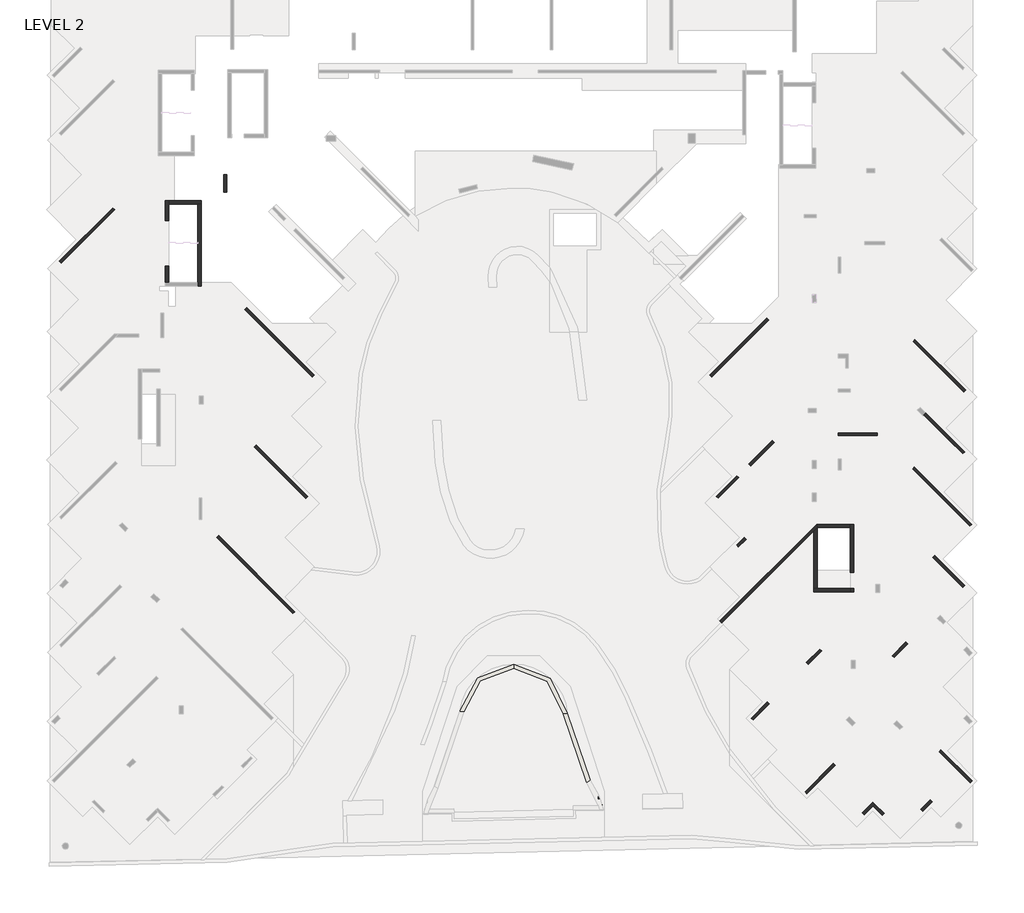
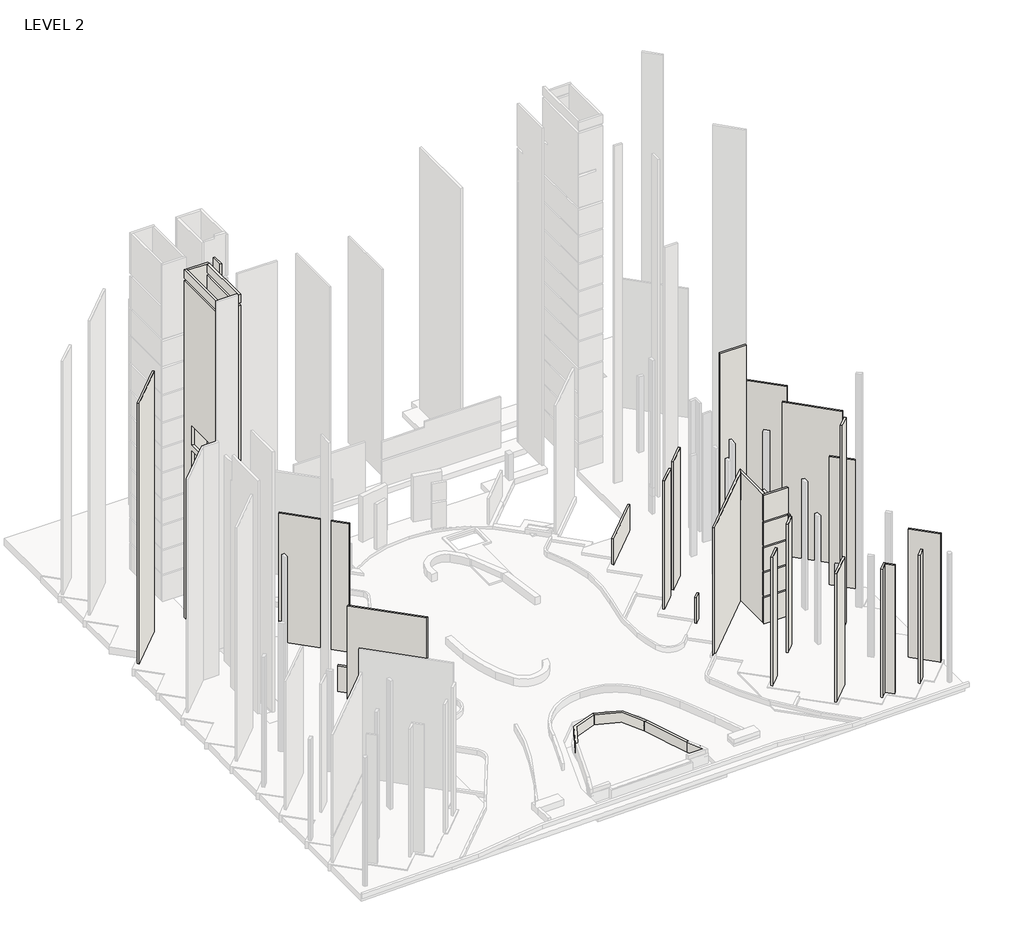
# One storey, part 2 of 9: 44 walls.
"""IFC4 building model written with IfcOpenShell, lengths in millimetres."""

import ifcopenshell
import ifcopenshell.guid

model = None  # the IFC model being written
_history = None  # IfcOwnerHistory: only IFC2X3 demands one
_inside = {}  # id of a spatial element -> (the spatial element, [elements in it])
_under = {}  # id of a project, library or spatial element -> (it, [spatial elements below it])
_declared = {}  # id of a project -> (the project, [libraries it declares])
_typed = {}  # id of a type object -> (the type object, [elements of that type])
_made_of = {}  # id of a material, layer set ... -> (it, [elements and type objects made of it])


def new_model(schema):
    """Start an empty IFC model of exactly this schema.

    Asked for "IFC4X3", IfcOpenShell would pick the latest addendum, in which some entities
    have other attributes; the version numbers below select the first issue.
    IFC2X3 requires an IfcOwnerHistory on every rooted entity: one is made here for all.
    """
    global model, _history
    if schema == "IFC4X3":
        model = ifcopenshell.file(schema_version=(4, 3, 0, 0))
    else:
        model = ifcopenshell.file(schema=schema)
    _inside.clear()
    _under.clear()
    _declared.clear()
    _typed.clear()
    _made_of.clear()
    _history = None
    if model.schema == "IFC2X3":
        org = make("IfcOrganization", Name="unknown")
        user = make(
            "IfcPersonAndOrganization",
            ThePerson=make("IfcPerson", FamilyName="unknown"),
            TheOrganization=org,
        )
        app = make(
            "IfcApplication",
            ApplicationDeveloper=org,
            Version="unknown",
            ApplicationFullName="unknown",
            ApplicationIdentifier="unknown",
        )
        _history = make(
            "IfcOwnerHistory",
            OwningUser=user,
            OwningApplication=app,
            ChangeAction="ADDED",
            CreationDate=0,
        )
    return model


def make(cls, **values):
    """One entity of the class cls with the attributes given. An attribute that is None is left unset."""
    return model.create_entity(
        cls, **{name: value for name, value in values.items() if value is not None}
    )


def rooted(cls, **values):
    """An entity with a GlobalId (a new one), such as an element, a storey or a relation."""
    return make(cls, GlobalId=ifcopenshell.guid.new(), OwnerHistory=_history, **values)


def si_unit(unit_type, name, prefix=None):
    """IfcSIUnit, for example si_unit("LENGTHUNIT", "METRE", prefix="MILLI")."""
    return make("IfcSIUnit", UnitType=unit_type, Prefix=prefix, Name=name)


def assignment(units):
    """IfcUnitAssignment: the units of a project."""
    return None if units is None else make("IfcUnitAssignment", Units=units)


def point(xyz):
    """IfcCartesianPoint."""
    return None if xyz is None else make("IfcCartesianPoint", Coordinates=xyz)


def direction(xyz):
    """IfcDirection."""
    return None if xyz is None else make("IfcDirection", DirectionRatios=xyz)


def frame(location, z_axis=None, x_axis=None):
    """IfcAxis2Placement3D, a coordinate frame: its origin and axes. An axis left out is left unset."""
    return make(
        "IfcAxis2Placement3D",
        Location=point(location),
        Axis=direction(z_axis),
        RefDirection=direction(x_axis),
    )


def frame_2d(location, x_axis=None):
    """IfcAxis2Placement2D, a coordinate frame in the plane: its origin and x axis."""
    return make(
        "IfcAxis2Placement2D", Location=point(location), RefDirection=direction(x_axis)
    )


def origin():
    """The frame at (0, 0, 0) with its axes left unset."""
    return frame((0.0, 0.0, 0.0))


def place(relative_to, where):
    """IfcLocalPlacement: puts the frame where relative to a parent placement (None: the world)."""
    return make(
        "IfcLocalPlacement", PlacementRelTo=relative_to, RelativePlacement=where
    )


def context(
    kind, dimensions, precision=None, world=None, true_north=None, identifier=None
):
    """IfcGeometricRepresentationContext, for example the 3D "Model" context."""
    return make(
        "IfcGeometricRepresentationContext",
        ContextIdentifier=identifier,
        ContextType=kind,
        CoordinateSpaceDimension=dimensions,
        Precision=precision,
        WorldCoordinateSystem=world,
        TrueNorth=true_north,
    )


def project(units=None, contexts=None):
    """IfcProject with its units and contexts."""
    return rooted(
        "IfcProject",
        Name="project",
        RepresentationContexts=contexts,
        UnitsInContext=assignment(units),
    )


def spatial(cls, under=None, at=None, **own):
    """A site, building, storey or space (cls), placed at a placement, below another one or the project."""
    s = rooted(cls, ObjectPlacement=at, **own)
    if under is not None:
        _under.setdefault(under.id(), (under, []))[1].append(s)
    return s


def polyline(points):
    """IfcPolyline through the points."""
    return make("IfcPolyline", Points=[point(p) for p in points])


def circle_curve(where, radius):
    """IfcCircle in the frame where."""
    return make("IfcCircle", Position=where, Radius=radius)


def trimmed(basis, trim1, trim2, sense, master):
    """IfcTrimmedCurve: the piece of a basis curve between two trims."""
    return make(
        "IfcTrimmedCurve",
        BasisCurve=basis,
        Trim1=trim1,
        Trim2=trim2,
        SenseAgreement=sense,
        MasterRepresentation=master,
    )


def segment(curve, same_sense, transition):
    """IfcCompositeCurveSegment."""
    return make(
        "IfcCompositeCurveSegment",
        Transition=transition,
        SameSense=same_sense,
        ParentCurve=curve,
    )


def composite_curve(segments, self_intersect=None):
    """IfcCompositeCurve: segments joined end to end."""
    return make("IfcCompositeCurve", Segments=segments, SelfIntersect=self_intersect)


def outline(outer, holes=None, kind="AREA"):
    """IfcArbitraryClosedProfileDef: a profile drawn as a closed curve; with holes, ...WithVoids."""
    if holes is None:
        return make("IfcArbitraryClosedProfileDef", ProfileType=kind, OuterCurve=outer)
    return make(
        "IfcArbitraryProfileDefWithVoids",
        ProfileType=kind,
        OuterCurve=outer,
        InnerCurves=holes,
    )


def extrude(swept, where, along, depth):
    """IfcExtrudedAreaSolid: the profile swept, set in the frame where, extruded along a direction by depth."""
    return make(
        "IfcExtrudedAreaSolid",
        SweptArea=swept,
        Position=where,
        ExtrudedDirection=direction(along),
        Depth=depth,
    )


def faces_of(points, faces, orient=None, outer=None):
    """IfcFace entities. A face is a list of loops; a loop is a list of indices into points, from 0.

    orient and outer hold one flag for each loop. By default every Orientation is true, the
    first loop of a face is its IfcFaceOuterBound and the others are IfcFaceBound.
    """
    made = []
    for i, loops in enumerate(faces):
        bounds = []
        for j, loop in enumerate(loops):
            is_outer = j == 0 if outer is None else outer[i][j]
            bounds.append(
                make(
                    "IfcFaceOuterBound" if is_outer else "IfcFaceBound",
                    Bound=make("IfcPolyLoop", Polygon=[points[k] for k in loop]),
                    Orientation=True if orient is None else orient[i][j],
                )
            )
        made.append(make("IfcFace", Bounds=bounds))
    return made


def faceted_brep(points, faces, orient=None, outer=None, voids=None):
    """IfcFacetedBrep: a solid bounded by flat faces; with voids (closed shells), ...WithVoids."""
    shared = [point(p) for p in points]
    hull = make("IfcClosedShell", CfsFaces=faces_of(shared, faces, orient, outer))
    if voids is None:
        return make("IfcFacetedBrep", Outer=hull)
    return make(
        "IfcFacetedBrepWithVoids",
        Outer=hull,
        Voids=[
            make(cls, CfsFaces=faces_of(shared, fs, o, b)) for cls, fs, o, b in voids
        ],
    )


def shape(context_of_items, identifier, shape_type, items):
    """IfcShapeRepresentation: the items that make up one representation, for example the "Body"."""
    return make(
        "IfcShapeRepresentation",
        ContextOfItems=context_of_items,
        RepresentationIdentifier=identifier,
        RepresentationType=shape_type,
        Items=items,
    )


def made_of(thing, what):
    """Note that an element or type object is made of a material, layer set ...; save() writes the relation."""
    if what is not None:
        _made_of.setdefault(what.id(), (what, []))[1].append(thing)
    return thing


def element(
    cls,
    number,
    at=None,
    inside=None,
    cuts=None,
    type_object=None,
    material=None,
    context=None,
    identifier="Body",
    shape_type=None,
    held_by="IfcProductDefinitionShape",
    body=None,
    shapes=None,
    **own,
):
    """One element of the class cls, such as IfcWall. Its Tag is "e" and its number.

    at: its placement. inside: the storey or other place that contains it. cuts: it is an
    opening in that element (IfcRelVoidsElement). A single representation is given by context,
    identifier, shape_type and body (its items); several are given by shapes. held_by: the class
    of the entity that holds the representations. save() writes the other relations.
    """
    e = rooted(cls, Tag="e%d" % number, ObjectPlacement=at, **own)
    if body is not None:
        shapes = [shape(context, identifier, shape_type, body)]
    if shapes is not None:
        e.Representation = make(held_by, Representations=shapes)
    if inside is not None:
        _inside.setdefault(inside.id(), (inside, []))[1].append(e)
    if cuts is not None:
        rooted(
            "IfcRelVoidsElement", RelatingBuildingElement=cuts, RelatedOpeningElement=e
        )
    if type_object is not None:
        _typed.setdefault(type_object.id(), (type_object, []))[1].append(e)
    return made_of(e, material)


def aggregate(whole, parts):
    """IfcRelAggregates: a whole, such as a stair, and the parts it consists of."""
    return rooted("IfcRelAggregates", RelatingObject=whole, RelatedObjects=parts)


def save(model, path):
    """Write the relations noted so far, then the file.

    IfcRelAggregates (storeys below a building ...), IfcRelContainedInSpatialStructure (elements
    in a storey), IfcRelDefinesByType, IfcRelAssociatesMaterial and IfcRelDeclares: one each for
    every whole, place, type object, material and project.
    """
    for whole, parts in _under.values():
        aggregate(whole, parts)
    for where, things in _inside.values():
        rooted(
            "IfcRelContainedInSpatialStructure",
            RelatedElements=things,
            RelatingStructure=where,
        )
    for kind, things in _typed.values():
        rooted("IfcRelDefinesByType", RelatedObjects=things, RelatingType=kind)
    for what, things in _made_of.values():
        rooted("IfcRelAssociatesMaterial", RelatedObjects=things, RelatingMaterial=what)
    for by, libraries in _declared.values():
        rooted("IfcRelDeclares", RelatingContext=by, RelatedDefinitions=libraries)
    model.write(path)


model = new_model("IFC4")

# Units and contexts
model_context = context("Model", 3, world=origin())
ifc_project = project(units=[si_unit("LENGTHUNIT", "METRE", prefix="MILLI")], contexts=[model_context])

# Site, building, storey
site = spatial("IfcSite", under=ifc_project)
building = spatial("IfcBuilding", under=site)
storey = spatial("IfcBuildingStorey", under=building, Name="LEVEL 2", Elevation=6400.0)

# Walls
placement = place(None, origin())
element("IfcWall", 1, ObjectType="200 WALL", at=placement, inside=storey, context=model_context, shape_type="SweptSolid", body=[
    extrude(outline(polyline([(178123.5364758, 193416.508526), (182069.1923148, 197362.164365), (182210.613671, 197220.7430087), (178264.957832, 193275.0871697), (178123.5364758, 193416.508526)])), frame((0.0, 0.0, 6400.0), z_axis=(0.0, 0.0, 1.0), x_axis=(1.0, 0.0, 0.0)), (0.0, 0.0, 1.0), 30800.0),
])
element("IfcWall", 2, ObjectType="200 WALL", at=placement, inside=storey, context=model_context, shape_type="Brep", body=[
    faceted_brep([(227133.1068921, 166641.8036376, 21550.0), (227133.1068921, 166641.8036376, 6400.0), (233938.4739802, 173447.1707257, 6400.0), (234182.3831507, 173691.0798962, 6400.0), (234182.3831507, 173691.0798962, 18300.0), (233938.4739802, 173447.1707257, 18300.0), (233938.4739802, 173447.1707257, 21550.0), (234149.5404382, 173941.0798962, 6400.0), (226991.6855358, 166783.2249938, 6400.0), (226991.6855358, 166783.2249938, 21550.0), (234149.5404382, 173941.0798962, 21550.0), (234154.0612657, 173906.6671817, 21550.0), (234154.0612657, 173906.6671817, 18300.0)], [[[0, 1, 2, 3, 4, 5, 6]], [[7, 8, 9, 10]], [[8, 7, 3, 2, 1]], [[10, 9, 0, 6, 11]], [[1, 0, 9, 8]], [[3, 7, 10, 11, 12, 4]], [[12, 5, 4]], [[5, 12, 11, 6]]]),
])
element("IfcWall", 3, ObjectType="200 WALL", at=placement, inside=storey, context=model_context, shape_type="SweptSolid", body=[
    extrude(outline(polyline([(241381.3653045, 178186.0108682), (245624.0304111, 173943.3457616), (245482.6090549, 173801.9244054), (241239.9439483, 178044.589512), (241381.3653045, 178186.0108682)])), frame((0.0, 0.0, 6400.0), z_axis=(0.0, 0.0, 1.0), x_axis=(1.0, 0.0, 0.0)), (0.0, 0.0, 1.0), 18100.0),
])
element("IfcWall", 4, ObjectType="200 WALL", at=placement, inside=storey, context=model_context, shape_type="SweptSolid", body=[
    extrude(outline(polyline([(190291.1560768, 198543.2169811), (190291.1560768, 199823.2169811), (190491.1560768, 199823.2169811), (190491.1560768, 198543.2169811), (190291.1560768, 198543.2169811)])), frame((0.0, 0.0, 6400.0), z_axis=(0.0, 0.0, 1.0), x_axis=(1.0, 0.0, 0.0)), (0.0, 0.0, 1.0), 39800.0),
])
element("IfcWall", 5, ObjectType="200 WALL", at=placement, inside=storey, context=model_context, shape_type="SweptSolid", body=[
    extrude(outline(polyline([(230595.0125003, 189053.8197048), (226378.0074174, 184836.8146219), (226236.5860611, 184978.2359781), (230453.591144, 189195.241061), (230595.0125003, 189053.8197048)])), frame((0.0, 0.0, 6400.0), z_axis=(0.0, 0.0, 1.0), x_axis=(1.0, 0.0, 0.0)), (0.0, 0.0, 1.0), 3050.0),
])
element("IfcWall", 6, ObjectType="200 WALL", at=placement, inside=storey, context=model_context, shape_type="SweptSolid", body=[
    extrude(outline(polyline([(189918.2404071, 173098.17676), (195542.1709331, 167474.246234), (195400.7495768, 167332.8248778), (189776.8190509, 172956.7554037), (189918.2404071, 173098.17676)])), frame((0.0, 0.0, 6400.0), z_axis=(0.0, 0.0, 1.0), x_axis=(1.0, 0.0, 0.0)), (0.0, 0.0, 1.0), 15150.0),
])
element("IfcWall", 7, ObjectType="200 WALL", at=placement, inside=storey, context=model_context, shape_type="SweptSolid", body=[
    extrude(outline(polyline([(245026.7387302, 183733.4005766), (241279.0727899, 187481.0665169), (241420.4941461, 187622.4878731), (245168.1600864, 183874.8219328), (245026.7387302, 183733.4005766)])), frame((0.0, 0.0, 6400.0), z_axis=(0.0, 0.0, 1.0), x_axis=(1.0, 0.0, 0.0)), (0.0, 0.0, 1.0), 15150.0),
])
element("IfcWall", 8, ObjectType="200 WALL", at=placement, inside=storey, context=model_context, shape_type="SweptSolid", body=[
    extrude(outline(polyline([(191992.9699245, 189973.9089783), (196988.4554355, 184978.4234674), (196847.0340793, 184837.0021112), (191851.5485683, 189832.4876221), (191992.9699245, 189973.9089783)])), frame((0.0, 0.0, 6400.0), z_axis=(0.0, 0.0, 1.0), x_axis=(1.0, 0.0, 0.0)), (0.0, 0.0, 1.0), 15150.0),
])
element("IfcWall", 9, ObjectType="200 WALL", at=placement, inside=storey, context=model_context, shape_type="SweptSolid", body=[
    extrude(outline(polyline([(235532.2142292, 156090.4729407), (233428.6981924, 153986.9569039), (233287.2768361, 154128.3782601), (235390.792873, 156231.894297), (235532.2142292, 156090.4729407)])), frame((0.0, 0.0, 6400.0), z_axis=(0.0, 0.0, 1.0), x_axis=(1.0, 0.0, 0.0)), (0.0, 0.0, 1.0), 15150.0),
])
element("IfcWall", 10, ObjectType="200 WALL", at=placement, inside=storey, context=model_context, shape_type="SweptSolid", body=[
    extrude(outline(polyline([(230992.5157762, 179997.6710209), (229258.3799716, 178263.5352163), (229116.9586154, 178404.9565725), (230851.09442, 180139.0923771), (230992.5157762, 179997.6710209)])), frame((0.0, 0.0, 6400.0), z_axis=(0.0, 0.0, 1.0), x_axis=(1.0, 0.0, 0.0)), (0.0, 0.0, 1.0), 15150.0),
])
element("IfcWall", 11, ObjectType="200 WALL", at=placement, inside=storey, context=model_context, shape_type="SweptSolid", body=[
    extrude(outline(polyline([(238618.4739802, 180501.0798962), (235743.3270284, 180501.0798962), (235743.3270284, 180701.0798962), (238618.4739802, 180701.0798962), (238618.4739802, 180501.0798962)])), frame((0.0, 0.0, 6400.0), z_axis=(0.0, 0.0, 1.0), x_axis=(1.0, 0.0, 0.0)), (0.0, 0.0, 1.0), 24300.0),
])
element("IfcWall", 12, ObjectType="200 WALL", at=placement, inside=storey, context=model_context, shape_type="SweptSolid", body=[
    extrude(outline(polyline([(228927.7214646, 172827.4828872), (228362.0360397, 172261.7974623), (228220.6146834, 172403.2188185), (228786.3001084, 172968.9042434), (228927.7214646, 172827.4828872)])), frame((0.0, 0.0, 6400.0), z_axis=(0.0, 0.0, 1.0), x_axis=(1.0, 0.0, 0.0)), (0.0, 0.0, 1.0), 3050.0),
])
element("IfcWall", 13, ObjectType="200 WALL", at=placement, inside=storey, context=model_context, shape_type="SweptSolid", body=[
    extrude(outline(polyline([(242866.4955293, 171638.3592191), (245088.2192119, 169416.6355366), (244946.7978557, 169275.2141803), (242725.0741731, 171496.9378629), (242866.4955293, 171638.3592191)])), frame((0.0, 0.0, 6400.0), z_axis=(0.0, 0.0, 1.0), x_axis=(1.0, 0.0, 0.0)), (0.0, 0.0, 1.0), 15150.0),
])
element("IfcWall", 14, ObjectType="200 WALL", at=placement, inside=storey, context=model_context, shape_type="SweptSolid", body=[
    extrude(outline(polyline([(239734.9494266, 164214.6749539), (240748.7107179, 165228.4362452), (240890.1320742, 165087.014889), (239876.3707828, 164073.2535976), (239734.9494266, 164214.6749539)])), frame((0.0, 0.0, 6400.0), z_axis=(0.0, 0.0, 1.0), x_axis=(1.0, 0.0, 0.0)), (0.0, 0.0, 1.0), 24300.0),
])
element("IfcWall", 15, ObjectType="200 WALL", at=placement, inside=storey, context=model_context, shape_type="SweptSolid", body=[
    extrude(outline(polyline([(234520.7884813, 164554.2662039), (233532.000346, 163565.4780686), (233390.5789898, 163706.8994248), (234379.3671251, 164695.6875602), (234520.7884813, 164554.2662039)])), frame((0.0, 0.0, 6400.0), z_axis=(0.0, 0.0, 1.0), x_axis=(1.0, 0.0, 0.0)), (0.0, 0.0, 1.0), 15150.0),
])
element("IfcWall", 16, ObjectType="200 WALL", at=placement, inside=storey, context=model_context, shape_type="SweptSolid", body=[
    extrude(outline(polyline([(243340.7326405, 157255.3317195), (245660.0428828, 154936.0214772), (245518.6215266, 154794.6001209), (243199.3112843, 157113.9103632), (243340.7326405, 157255.3317195)])), frame((0.0, 0.0, 6400.0), z_axis=(0.0, 0.0, 1.0), x_axis=(1.0, 0.0, 0.0)), (0.0, 0.0, 1.0), 15150.0),
])
element("IfcWall", 17, ObjectType="200 WALL", at=placement, inside=storey, context=model_context, shape_type="SweptSolid", body=[
    extrude(outline(polyline([(242695.4315308, 153396.6021858), (241988.3247496, 152689.4954046), (241846.9033934, 152830.9167608), (242554.0101745, 153538.023542), (242695.4315308, 153396.6021858)])), frame((0.0, 0.0, 6400.0), z_axis=(0.0, 0.0, 1.0), x_axis=(1.0, 0.0, 0.0)), (0.0, 0.0, 1.0), 15150.0),
])
element("IfcWall", 18, ObjectType="200 WALL", at=placement, inside=storey, context=model_context, shape_type="Brep", body=[
    faceted_brep([(237655.4613496, 152443.7091999, 6400.0), (238300.6736781, 153088.9215284, 6400.0), (238442.0950344, 153230.3428846, 6400.0), (238442.0950344, 153230.3428846, 21550.0), (238300.6736781, 153088.9215284, 21550.0), (237655.4613496, 152443.7091999, 21550.0), (237514.0399934, 152585.1305561, 6400.0), (237514.0399934, 152585.1305561, 21550.0), (238300.6736781, 153371.7642408, 21550.0), (238300.6736781, 153371.7642408, 6400.0)], [[[0, 1, 2, 3, 4, 5]], [[6, 7, 8, 9]], [[2, 1, 0, 6, 9]], [[3, 2, 9, 8]], [[5, 4, 3, 8, 7]], [[0, 5, 7, 6]]]),
])
element("IfcWall", 19, ObjectType="200 WALL", at=placement, inside=storey, context=model_context, shape_type="SweptSolid", body=[
    extrude(outline(polyline([(238989.5587329, 152400.0364736), (238300.6736781, 153088.9215284), (238442.0950344, 153230.3428846), (239130.9800891, 152541.4578298), (238989.5587329, 152400.0364736)])), frame((0.0, 0.0, 6400.0), z_axis=(0.0, 0.0, 1.0), x_axis=(1.0, 0.0, 0.0)), (0.0, 0.0, 1.0), 15150.0),
])
element("IfcWall", 20, ObjectType="200 WALL", at=placement, inside=storey, context=model_context, shape_type="SweptSolid", body=[
    extrude(outline(polyline([(230642.8009927, 160654.7023901), (229440.7194647, 159452.6208621), (229299.2981085, 159594.0422183), (230501.3796365, 160796.1237463), (230642.8009927, 160654.7023901)])), frame((0.0, 0.0, 6400.0), z_axis=(0.0, 0.0, 1.0), x_axis=(1.0, 0.0, 0.0)), (0.0, 0.0, 1.0), 15150.0),
])
element("IfcWall", 21, ObjectType="200 WALL", at=placement, inside=storey, context=model_context, shape_type="SweptSolid", body=[
    extrude(outline(polyline([(228392.1741647, 177393.7938754), (226873.347345, 175874.9670558), (226731.9259888, 176016.388412), (228250.7528084, 177535.2152317), (228392.1741647, 177393.7938754)])), frame((0.0, 0.0, 6400.0), z_axis=(0.0, 0.0, 1.0), x_axis=(1.0, 0.0, 0.0)), (0.0, 0.0, 1.0), 15150.0),
])
element("IfcWall", 22, ObjectType="200 WALL", at=placement, inside=storey, context=model_context, shape_type="SweptSolid", body=[
    extrude(outline(polyline([(192693.959791, 179797.6048788), (196498.1942737, 175993.370396), (196356.7729175, 175851.9490398), (192552.5384347, 179656.1835225), (192693.959791, 179797.6048788)])), frame((0.0, 0.0, 6400.0), z_axis=(0.0, 0.0, 1.0), x_axis=(1.0, 0.0, 0.0)), (0.0, 0.0, 1.0), 3050.0),
])
element("IfcWall", 23, ObjectType="200 WALL", at=placement, inside=storey, context=model_context, shape_type="SweptSolid", body=[
    extrude(outline(polyline([(244036.7833113, 180367.566373), (245097.4434831, 179306.9062012), (244956.0221269, 179165.484845), (243895.3619551, 180226.1450168), (244036.7833113, 180367.566373)])), frame((0.0, 0.0, 6425.0), z_axis=(0.0, 0.0, 1.0), x_axis=(1.0, 0.0, 0.0)), (0.0, 0.0, 1.0), 3025.0),
])
element("IfcWall", 24, ObjectType="200 WALL", at=placement, inside=storey, context=model_context, shape_type="Brep", body=[
    faceted_brep([(244036.7833113, 180367.566373, 6400.0), (242229.1073069, 182175.2423775, 6400.0), (242229.1073069, 182175.2423775, 9450.0), (244036.7833113, 180367.566373, 9450.0), (244036.7833113, 180367.566373, 6425.0), (243895.3619551, 180226.1450168, 6400.0), (243895.3619551, 180226.1450168, 6425.0), (243895.3619551, 180226.1450168, 9450.0), (242087.6859506, 182033.8210212, 9450.0), (242087.6859506, 182033.8210212, 6400.0)], [[[0, 1, 2, 3, 4]], [[5, 6, 7, 8, 9]], [[1, 0, 5, 9]], [[2, 1, 9, 8]], [[3, 2, 8, 7]], [[0, 4, 3, 7, 6, 5]]]),
])
element("IfcWall", 25, ObjectType="250 WALL", at=placement, inside=storey, context=model_context, shape_type="Brep", body=[
    faceted_brep([(236628.4739802, 168936.123658, 18300.0), (236628.4739802, 173691.0798962, 18300.0), (236628.4739802, 173941.0798962, 18300.0), (236628.4739802, 173941.0798962, 6400.0), (236628.4739802, 173691.0798962, 6400.0), (236628.4739802, 170386.123658, 6400.0), (236628.4739802, 170386.123658, 8600.0), (236628.4739802, 169186.123658, 8600.0), (236628.4739802, 169186.123658, 6400.0), (236628.4739802, 168936.123658, 6400.0), (236628.4739802, 169181.123658, 17750.0), (236628.4739802, 169181.123658, 15550.0), (236628.4739802, 170381.123658, 15550.0), (236628.4739802, 170381.123658, 17750.0), (236628.4739802, 169186.123658, 14800.0), (236628.4739802, 169186.123658, 12600.0), (236628.4739802, 170386.123658, 12600.0), (236628.4739802, 170386.123658, 14800.0), (236628.4739802, 169186.123658, 11850.0), (236628.4739802, 169186.123658, 9650.0), (236628.4739802, 170386.123658, 9650.0), (236628.4739802, 170386.123658, 11850.0), (236878.4739802, 173941.0798962, 18300.0), (236878.4739802, 168936.123658, 18300.0), (236878.4739802, 168936.123658, 6400.0), (236878.4739802, 169186.123658, 6400.0), (236878.4739802, 169186.123658, 8600.0), (236878.4739802, 170386.123658, 8600.0), (236878.4739802, 170386.123658, 6400.0), (236878.4739802, 173941.0798962, 6400.0), (236878.4739802, 169186.123658, 12600.0), (236878.4739802, 169186.123658, 14800.0), (236878.4739802, 170386.123658, 14800.0), (236878.4739802, 170386.123658, 12600.0), (236878.4739802, 169186.123658, 9650.0), (236878.4739802, 169186.123658, 11850.0), (236878.4739802, 170386.123658, 11850.0), (236878.4739802, 170386.123658, 9650.0), (236878.4739802, 169181.123658, 15550.0), (236878.4739802, 169181.123658, 17750.0), (236878.4739802, 170381.123658, 17750.0), (236878.4739802, 170381.123658, 15550.0)], [[[0, 1, 2, 3, 4, 5, 6, 7, 8, 9], [10, 11, 12, 13], [14, 15, 16, 17], [18, 19, 20, 21]], [[22, 23, 24, 25, 26, 27, 28, 29], [30, 31, 32, 33], [34, 35, 36, 37], [38, 39, 40, 41]], [[28, 5, 4, 3, 29]], [[9, 8, 25, 24]], [[2, 1, 0, 23, 22]], [[7, 26, 25, 8]], [[27, 6, 5, 28]], [[26, 7, 6, 27]], [[3, 2, 22, 29]], [[14, 31, 30, 15]], [[15, 30, 33, 16]], [[31, 14, 17, 32]], [[18, 35, 34, 19]], [[19, 34, 37, 20]], [[35, 18, 21, 36]], [[10, 39, 38, 11]], [[11, 38, 41, 12]], [[39, 10, 13, 40]], [[32, 17, 16, 33]], [[36, 21, 20, 37]], [[40, 13, 12, 41]], [[0, 9, 24, 23]]]),
])
element("IfcWall", 26, ObjectType="250 WALL", at=placement, inside=storey, context=model_context, shape_type="Brep", body=[
    faceted_brep([(234188.4739802, 169186.123658, 6400.0), (234188.4739802, 173691.0798962, 6400.0), (234188.4739802, 173691.0798962, 18300.0), (234188.4739802, 173980.0134382, 18300.0), (234188.4739802, 173980.0134382, 21550.0), (234188.4739802, 169186.123658, 21550.0), (233938.4739802, 169186.123658, 6400.0), (233938.4739802, 169186.123658, 9450.0), (233938.4739802, 169186.123658, 9650.0), (233938.4739802, 169186.123658, 12400.0), (233938.4739802, 169186.123658, 12600.0), (233938.4739802, 169186.123658, 15350.0), (233938.4739802, 169186.123658, 15550.0), (233938.4739802, 169186.123658, 18300.0), (233938.4739802, 169186.123658, 18500.0), (233938.4739802, 169186.123658, 21550.0), (233938.4739802, 173447.1707257, 21550.0), (233938.4739802, 173447.1707257, 18300.0), (233938.4739802, 173447.1707257, 6400.0), (234182.3831507, 173691.0798962, 6400.0), (234154.0612657, 173906.6671817, 21550.0), (234154.0612657, 173906.6671817, 18300.0), (234182.3831507, 173691.0798962, 18300.0)], [[[0, 1, 2, 3, 4, 5]], [[6, 7, 8, 9, 10, 11, 12, 13, 14, 15, 16, 17, 18]], [[1, 0, 6, 18, 19]], [[5, 4, 20, 16, 15]], [[0, 5, 15, 14, 13, 12, 11, 10, 9, 8, 7, 6]], [[17, 21, 3, 2, 22]], [[2, 1, 19, 22]], [[19, 18, 17, 22]], [[4, 3, 21, 17, 16, 20]]]),
])
element("IfcWall", 27, ObjectType="250 WALL", at=placement, inside=storey, context=model_context, shape_type="Brep", body=[
    faceted_brep([(234182.3831507, 173691.0798962, 6400.0), (234188.4739802, 173691.0798962, 6400.0), (236628.4739802, 173691.0798962, 6400.0), (236628.4739802, 173691.0798962, 18300.0), (234188.4739802, 173691.0798962, 18300.0), (234182.3831507, 173691.0798962, 18300.0), (234149.5404382, 173941.0798962, 6400.0), (234149.5404382, 173941.0798962, 18300.0), (236628.4739802, 173941.0798962, 18300.0), (236628.4739802, 173941.0798962, 6400.0)], [[[0, 1, 2, 3, 4, 5]], [[6, 7, 8, 9]], [[2, 1, 0, 6, 9]], [[5, 4, 3, 8, 7]], [[3, 2, 9, 8]], [[0, 5, 7, 6]]]),
])
element("IfcWall", 28, ObjectType="250 WALL", at=placement, inside=storey, context=model_context, shape_type="Brep", body=[
    faceted_brep([(236628.4739802, 169186.123658, 6400.0), (234188.4739802, 169186.123658, 6400.0), (233938.4739802, 169186.123658, 6400.0), (233938.4739802, 169186.123658, 9450.0), (236628.4739802, 169186.123658, 9450.0), (236628.4739802, 169186.123658, 8600.0), (233938.4739802, 168936.123658, 6400.0), (236628.4739802, 168936.123658, 6400.0), (236628.4739802, 168936.123658, 9450.0), (233938.4739802, 168936.123658, 9450.0)], [[[0, 1, 2, 3, 4, 5]], [[6, 7, 8, 9]], [[2, 1, 0, 7, 6]], [[2, 6, 9, 3]], [[7, 0, 5, 4, 8]], [[4, 3, 9, 8]]]),
    faceted_brep([(233938.4739802, 169186.123658, 21550.0), (234188.4739802, 169186.123658, 21550.0), (236628.4739802, 169186.123658, 21550.0), (236628.4739802, 169186.123658, 18500.0), (233938.4739802, 169186.123658, 18500.0), (236628.4739802, 168936.123658, 21550.0), (233938.4739802, 168936.123658, 21550.0), (233938.4739802, 168936.123658, 18500.0), (236628.4739802, 168936.123658, 18500.0), (236628.4739802, 169181.123658, 18500.0)], [[[0, 1, 2, 3, 4]], [[5, 6, 7, 8]], [[2, 1, 0, 6, 5]], [[6, 0, 4, 7]], [[2, 5, 8, 9, 3]], [[4, 3, 9, 8, 7]]]),
    faceted_brep([(233938.4739802, 169186.123658, 18300.0), (236628.4739802, 169186.123658, 18300.0), (236628.4739802, 169186.123658, 15550.0), (233938.4739802, 169186.123658, 15550.0), (236628.4739802, 168936.123658, 18300.0), (233938.4739802, 168936.123658, 18300.0), (233938.4739802, 168936.123658, 15550.0), (236628.4739802, 168936.123658, 15550.0)], [[[0, 1, 2, 3]], [[4, 5, 6, 7]], [[5, 0, 3, 6]], [[1, 4, 7, 2]], [[1, 0, 5, 4]], [[3, 2, 7, 6]]]),
    faceted_brep([(233938.4739802, 169186.123658, 15350.0), (236628.4739802, 169186.123658, 15350.0), (236628.4739802, 169186.123658, 14800.0), (236628.4739802, 169186.123658, 12600.0), (233938.4739802, 169186.123658, 12600.0), (236628.4739802, 168936.123658, 15350.0), (233938.4739802, 168936.123658, 15350.0), (233938.4739802, 168936.123658, 12600.0), (236628.4739802, 168936.123658, 12600.0)], [[[0, 1, 2, 3, 4]], [[5, 6, 7, 8]], [[6, 0, 4, 7]], [[1, 5, 8, 3, 2]], [[1, 0, 6, 5]], [[4, 3, 8, 7]]]),
    faceted_brep([(233938.4739802, 169186.123658, 12400.0), (236628.4739802, 169186.123658, 12400.0), (236628.4739802, 169186.123658, 11850.0), (236628.4739802, 169186.123658, 9650.0), (233938.4739802, 169186.123658, 9650.0), (236628.4739802, 168936.123658, 12400.0), (233938.4739802, 168936.123658, 12400.0), (233938.4739802, 168936.123658, 9650.0), (236628.4739802, 168936.123658, 9650.0)], [[[0, 1, 2, 3, 4]], [[5, 6, 7, 8]], [[6, 0, 4, 7]], [[1, 5, 8, 3, 2]], [[1, 0, 6, 5]], [[4, 3, 8, 7]]]),
])
element("IfcWall", 29, ObjectType="250 WALL", at=placement, inside=storey, context=model_context, shape_type="Brep", body=[
    faceted_brep([(188361.1489175, 197657.6490083, 6400.0), (188361.1489175, 191842.6490083, 6400.0), (188361.1489175, 191592.6490083, 6400.0), (188361.1489175, 191592.6490083, 46150.0), (188361.1489175, 197657.6490083, 46150.0), (188361.1489175, 193068.2322067, 33124.9672079), (188361.1489175, 193068.2322067, 30889.9672079), (188361.1489175, 196433.2322067, 30889.9672079), (188361.1489175, 196433.2322067, 33124.9672079), (188361.1489175, 193068.2322067, 39624.9672079), (188361.1489175, 193068.2322067, 37389.9672079), (188361.1489175, 196433.2322067, 37389.9672079), (188361.1489175, 196433.2322067, 39624.9672079), (188361.1489175, 193068.2322067, 43574.9672079), (188361.1489175, 193068.2322067, 41339.9672079), (188361.1489175, 196433.2322067, 41339.9672079), (188361.1489175, 196433.2322067, 43574.9672079), (188361.1489175, 193068.2322067, 36374.9672079), (188361.1489175, 193068.2322067, 34139.9672079), (188361.1489175, 196433.2322067, 34139.9672079), (188361.1489175, 196433.2322067, 36374.9672079), (188611.1489175, 191592.6490083, 6400.0), (188611.1489175, 197657.6490083, 6400.0), (188611.1489175, 197657.6490083, 46150.0), (188611.1489175, 191592.6490083, 46150.0), (188611.1489175, 193068.2322067, 30889.9672079), (188611.1489175, 193068.2322067, 33124.9672079), (188611.1489175, 196433.2322067, 33124.9672079), (188611.1489175, 196433.2322067, 30889.9672079), (188611.1489175, 193068.2322067, 37389.9672079), (188611.1489175, 193068.2322067, 39624.9672079), (188611.1489175, 196433.2322067, 39624.9672079), (188611.1489175, 196433.2322067, 37389.9672079), (188611.1489175, 193068.2322067, 41339.9672079), (188611.1489175, 193068.2322067, 43574.9672079), (188611.1489175, 196433.2322067, 43574.9672079), (188611.1489175, 196433.2322067, 41339.9672079), (188611.1489175, 193068.2322067, 34139.9672079), (188611.1489175, 193068.2322067, 36374.9672079), (188611.1489175, 196433.2322067, 36374.9672079), (188611.1489175, 196433.2322067, 34139.9672079)], [[[0, 1, 2, 3, 4], [5, 6, 7, 8], [9, 10, 11, 12], [13, 14, 15, 16], [17, 18, 19, 20]], [[21, 22, 23, 24], [25, 26, 27, 28], [29, 30, 31, 32], [33, 34, 35, 36], [37, 38, 39, 40]], [[2, 1, 0, 22, 21]], [[26, 25, 6, 5]], [[27, 26, 5, 8]], [[28, 27, 8, 7]], [[25, 28, 7, 6]], [[30, 29, 10, 9]], [[31, 30, 9, 12]], [[32, 31, 12, 11]], [[29, 32, 11, 10]], [[33, 14, 13, 34]], [[34, 13, 16, 35]], [[35, 16, 15, 36]], [[14, 33, 36, 15]], [[38, 37, 18, 17]], [[39, 38, 17, 20]], [[40, 39, 20, 19]], [[37, 40, 19, 18]], [[2, 21, 24, 3]], [[22, 0, 4, 23]], [[4, 3, 24, 23]]]),
    faceted_brep([(188361.1489175, 191592.6490083, 47450.0), (188361.1489175, 191842.6490083, 47450.0), (188361.1489175, 197657.6490083, 47450.0), (188361.1489175, 197657.6490083, 46450.0), (188361.1489175, 191592.6490083, 46450.0), (188611.1489175, 197657.6490083, 47450.0), (188611.1489175, 191592.6490083, 47450.0), (188611.1489175, 191592.6490083, 46450.0), (188611.1489175, 197657.6490083, 46450.0)], [[[0, 1, 2, 3, 4]], [[5, 6, 7, 8]], [[2, 1, 0, 6, 5]], [[6, 0, 4, 7]], [[2, 5, 8, 3]], [[4, 3, 8, 7]]]),
])
element("IfcWall", 30, ObjectType="250 WALL", at=placement, inside=storey, context=model_context, shape_type="Brep", body=[
    faceted_brep([(186201.1489175, 193068.2322067, 6400.0), (186201.1489175, 193068.2322067, 8635.0), (186201.1489175, 196433.2322067, 8635.0), (186201.1489175, 196433.2322067, 6400.0), (186201.1489175, 197657.6490083, 6400.0), (186201.1489175, 197907.6490083, 6400.0), (186201.1489175, 197907.6490083, 46150.0), (186201.1489175, 191842.6490083, 46150.0), (186201.1489175, 191842.6490083, 6400.0), (186201.1489175, 193068.2322067, 9650.0), (186201.1489175, 193068.2322067, 11885.0), (186201.1489175, 196433.2322067, 11885.0), (186201.1489175, 196433.2322067, 9650.0), (186201.1489175, 193068.2322067, 12600.0), (186201.1489175, 193068.2322067, 14835.0), (186201.1489175, 196433.2322067, 14835.0), (186201.1489175, 196433.2322067, 12600.0), (186201.1489175, 193068.2322067, 15550.0), (186201.1489175, 193068.2322067, 17785.0), (186201.1489175, 196433.2322067, 17785.0), (186201.1489175, 196433.2322067, 15550.0), (186201.1489175, 193068.2322067, 18500.0), (186201.1489175, 193068.2322067, 20735.0), (186201.1489175, 196433.2322067, 20735.0), (186201.1489175, 196433.2322067, 18500.0), (186201.1489175, 193068.2322067, 21750.0), (186201.1489175, 193068.2322067, 23985.0), (186201.1489175, 196433.2322067, 23985.0), (186201.1489175, 196433.2322067, 21750.0), (186201.1489175, 193068.2322067, 24700.0), (186201.1489175, 193068.2322067, 26935.0), (186201.1489175, 196433.2322067, 26935.0), (186201.1489175, 196433.2322067, 24700.0), (186201.1489175, 193068.2322067, 27650.0), (186201.1489175, 193068.2322067, 29885.0), (186201.1489175, 196433.2322067, 29885.0), (186201.1489175, 196433.2322067, 27650.0), (185951.1489175, 193068.2322067, 8635.0), (185951.1489175, 193068.2322067, 6400.0), (185951.1489175, 191842.6490083, 6400.0), (185951.1489175, 191842.6490083, 46150.0), (185951.1489175, 197907.6490083, 46150.0), (185951.1489175, 197907.6490083, 6400.0), (185951.1489175, 196433.2322067, 6400.0), (185951.1489175, 196433.2322067, 8635.0), (185951.1489175, 193068.2322067, 11885.0), (185951.1489175, 193068.2322067, 9650.0), (185951.1489175, 196433.2322067, 9650.0), (185951.1489175, 196433.2322067, 11885.0), (185951.1489175, 193068.2322067, 14835.0), (185951.1489175, 193068.2322067, 12600.0), (185951.1489175, 196433.2322067, 12600.0), (185951.1489175, 196433.2322067, 14835.0), (185951.1489175, 193068.2322067, 17785.0), (185951.1489175, 193068.2322067, 15550.0), (185951.1489175, 196433.2322067, 15550.0), (185951.1489175, 196433.2322067, 17785.0), (185951.1489175, 193068.2322067, 20735.0), (185951.1489175, 193068.2322067, 18500.0), (185951.1489175, 196433.2322067, 18500.0), (185951.1489175, 196433.2322067, 20735.0), (185951.1489175, 193068.2322067, 23985.0), (185951.1489175, 193068.2322067, 21750.0), (185951.1489175, 196433.2322067, 21750.0), (185951.1489175, 196433.2322067, 23985.0), (185951.1489175, 193068.2322067, 26935.0), (185951.1489175, 193068.2322067, 24700.0), (185951.1489175, 196433.2322067, 24700.0), (185951.1489175, 196433.2322067, 26935.0), (185951.1489175, 193068.2322067, 29885.0), (185951.1489175, 193068.2322067, 27650.0), (185951.1489175, 196433.2322067, 27650.0), (185951.1489175, 196433.2322067, 29885.0)], [[[0, 1, 2, 3, 4, 5, 6, 7, 8], [9, 10, 11, 12], [13, 14, 15, 16], [17, 18, 19, 20], [21, 22, 23, 24], [25, 26, 27, 28], [29, 30, 31, 32], [33, 34, 35, 36]], [[37, 38, 39, 40, 41, 42, 43, 44], [45, 46, 47, 48], [49, 50, 51, 52], [53, 54, 55, 56], [57, 58, 59, 60], [61, 62, 63, 64], [65, 66, 67, 68], [69, 70, 71, 72]], [[42, 5, 4, 3, 43]], [[0, 8, 39, 38]], [[37, 1, 0, 38]], [[1, 37, 44, 2]], [[2, 44, 43, 3]], [[9, 46, 45, 10]], [[10, 45, 48, 11]], [[11, 48, 47, 12]], [[46, 9, 12, 47]], [[13, 50, 49, 14]], [[14, 49, 52, 15]], [[15, 52, 51, 16]], [[50, 13, 16, 51]], [[17, 54, 53, 18]], [[18, 53, 56, 19]], [[19, 56, 55, 20]], [[54, 17, 20, 55]], [[21, 58, 57, 22]], [[22, 57, 60, 23]], [[23, 60, 59, 24]], [[58, 21, 24, 59]], [[25, 62, 61, 26]], [[26, 61, 64, 27]], [[27, 64, 63, 28]], [[62, 25, 28, 63]], [[29, 66, 65, 30]], [[30, 65, 68, 31]], [[31, 68, 67, 32]], [[66, 29, 32, 67]], [[33, 70, 69, 34]], [[34, 69, 72, 35]], [[35, 72, 71, 36]], [[70, 33, 36, 71]], [[5, 42, 41, 6]], [[39, 8, 7, 40]], [[7, 6, 41, 40]]]),
    faceted_brep([(186201.1489175, 197907.6490083, 47450.0), (186201.1489175, 197658.2322067, 47450.0), (186201.1489175, 197657.6490083, 47450.0), (186201.1489175, 191842.6490083, 47450.0), (186201.1489175, 191842.6490083, 46450.0), (186201.1489175, 197907.6490083, 46450.0), (185951.1489175, 191842.6490083, 47450.0), (185951.1489175, 197907.6490083, 47450.0), (185951.1489175, 197907.6490083, 46450.0), (185951.1489175, 191842.6490083, 46450.0)], [[[0, 1, 2, 3, 4, 5]], [[6, 7, 8, 9]], [[3, 2, 1, 0, 7, 6]], [[7, 0, 5, 8]], [[3, 6, 9, 4]], [[5, 4, 9, 8]]]),
])
element("IfcWall", 31, ObjectType="250 WALL", at=placement, inside=storey, context=model_context, shape_type="Brep", body=[
    faceted_brep([(186201.1489175, 197657.6490083, 6400.0), (188361.1489175, 197657.6490083, 6400.0), (188611.1489175, 197657.6490083, 6400.0), (188611.1489175, 197657.6490083, 46150.0), (188611.1489175, 197657.6490083, 46450.0), (188611.1489175, 197657.6490083, 47450.0), (188361.1489175, 197657.6490083, 47450.0), (186201.1489175, 197657.6490083, 47450.0), (186201.1489175, 197907.6490083, 6400.0), (186201.1489175, 197907.6490083, 46150.0), (186201.1489175, 197907.6490083, 46450.0), (186201.1489175, 197907.6490083, 47450.0), (188611.1489175, 197907.6490083, 47450.0), (188611.1489175, 197907.6490083, 6400.0)], [[[0, 1, 2, 3, 4, 5, 6, 7]], [[8, 9, 10, 11, 12, 13]], [[2, 1, 0, 8, 13]], [[7, 6, 5, 12, 11]], [[5, 4, 3, 2, 13, 12]], [[0, 7, 11, 10, 9, 8]]]),
])
element("IfcWall", 32, ObjectType="P1A - 300 Concrete", at=placement, inside=storey, context=model_context, shape_type="SweptSolid", body=[
    extrude(outline(composite_curve([segment(polyline([(215710.1770938, 159944.1769153), (215410.9841687, 159922.0960535)]), True, "CONTINUOUS"), segment(trimmed(circle_curve(frame_2d((211764.9620929, 159627.6724367)), 3657.8904089), [point((215410.9841687, 159922.0960535))], [point((211731.1723089, 163285.4067756))], True, "CARTESIAN"), True, "CONTINUOUS"), segment(polyline([(211731.1723089, 163285.4067756), (211730.5643759, 163585.4133688)]), True, "CONTINUOUS"), segment(trimmed(circle_curve(frame_2d((211764.9620929, 159627.6724367)), 3957.8904089), [point((211730.5643759, 163585.4133688))], [point((215710.1770938, 159944.1769153))], False, "CARTESIAN"), True, "CONTINUOUS")], self_intersect=False)), frame((0.0, 0.0, 5700.0), z_axis=(0.0, 0.0, 1.0), x_axis=(1.0, 0.0, 0.0)), (0.0, 0.0, 1.0), 1150.0),
])
element("IfcWall", 33, ObjectType="P1A - 300 Concrete", at=placement, inside=storey, context=model_context, shape_type="SweptSolid", body=[
    extrude(outline(composite_curve([segment(polyline([(217403.7081004, 154977.8488237), (217154.4836499, 154810.8542931)]), True, "CONTINUOUS"), segment(trimmed(circle_curve(frame_2d((225827.5906329, 160622.3283546)), 10440.1156845), [point((217154.4836499, 154810.8542931))], [point((215410.9841687, 159922.0960535))], False, "CARTESIAN"), True, "CONTINUOUS"), segment(polyline([(215410.9841687, 159922.0960535), (215710.1770938, 159944.1769153)]), True, "CONTINUOUS"), segment(trimmed(circle_curve(frame_2d((225827.5906329, 160622.3283546)), 10140.1156845), [point((215710.1770938, 159944.1769153))], [point((217403.7081004, 154977.8488237))], True, "CARTESIAN"), True, "CONTINUOUS")], self_intersect=False)), frame((0.0, 0.0, 5700.0), z_axis=(0.0, 0.0, 1.0), x_axis=(1.0, 0.0, 0.0)), (0.0, 0.0, 1.0), 1150.0),
])
element("IfcWall", 34, ObjectType="P1A - 300 Concrete", at=placement, inside=storey, context=model_context, shape_type="SweptSolid", body=[
    extrude(outline(composite_curve([segment(polyline([(211730.5643759, 163585.4133688), (211731.1723089, 163285.4067756)]), True, "CONTINUOUS"), segment(trimmed(circle_curve(frame_2d((211712.0040701, 159586.2893593)), 3699.1670793), [point((211731.1723089, 163285.4067756))], [point((208040.9820379, 160041.7389396))], True, "CARTESIAN"), True, "CONTINUOUS"), segment(polyline([(208040.9820379, 160041.7389396), (207743.1389435, 160077.6618613)]), True, "CONTINUOUS"), segment(trimmed(circle_curve(frame_2d((211712.0040701, 159586.2893593)), 3999.1670793), [point((207743.1389435, 160077.6618613))], [point((211730.5643759, 163585.4133688))], False, "CARTESIAN"), True, "CONTINUOUS")], self_intersect=False)), frame((0.0, 0.0, 5700.0), z_axis=(0.0, 0.0, 1.0), x_axis=(1.0, 0.0, 0.0)), (0.0, 0.0, 1.0), 1150.0),
])
element("IfcWall", 35, ObjectType="P1A - 300 Concrete", at=placement, inside=storey, context=model_context, shape_type="SweptSolid", body=[
    extrude(outline(composite_curve([segment(polyline([(215710.1770938, 159944.1769153), (215410.9841687, 159922.0960535)]), True, "CONTINUOUS"), segment(trimmed(circle_curve(frame_2d((211764.9620929, 159627.6724367)), 3657.8904089), [point((215410.9841687, 159922.0960535))], [point((211731.1723089, 163285.4067756))], True, "CARTESIAN"), True, "CONTINUOUS"), segment(polyline([(211731.1723089, 163285.4067756), (211730.5643759, 163585.4133688)]), True, "CONTINUOUS"), segment(trimmed(circle_curve(frame_2d((211764.9620929, 159627.6724367)), 3957.8904089), [point((211730.5643759, 163585.4133688))], [point((215710.1770938, 159944.1769153))], False, "CARTESIAN"), True, "CONTINUOUS")], self_intersect=False)), frame((0.0, 0.0, 5700.0), z_axis=(0.0, 0.0, 1.0), x_axis=(1.0, 0.0, 0.0)), (0.0, 0.0, 1.0), 1150.0),
])
element("IfcWall", 36, ObjectType="P1A - 300 Concrete", at=placement, inside=storey, context=model_context, shape_type="SweptSolid", body=[
    extrude(outline(composite_curve([segment(polyline([(217402.9175493, 154979.0288295), (217155.289754, 154809.6514349)]), True, "CONTINUOUS"), segment(trimmed(circle_curve(frame_2d((225827.5906329, 160622.3283546)), 10440.1156845), [point((217155.289754, 154809.6514349))], [point((215410.9164824, 159923.1036776))], False, "CARTESIAN"), True, "CONTINUOUS"), segment(polyline([(215410.9164824, 159923.1036776), (215710.2428826, 159943.1961181)]), True, "CONTINUOUS"), segment(trimmed(circle_curve(frame_2d((225827.5906329, 160622.3283546)), 10140.1156845), [point((215710.2428826, 159943.1961181))], [point((217402.9175493, 154979.0288295))], True, "CARTESIAN"), True, "CONTINUOUS")], self_intersect=False)), frame((0.0, 0.0, 5700.0), z_axis=(0.0, 0.0, 1.0), x_axis=(1.0, 0.0, 0.0)), (0.0, 0.0, 1.0), 1150.0),
])
element("IfcWall", 37, ObjectType="P1A - 300 Concrete", at=placement, inside=storey, context=model_context, shape_type="SweptSolid", body=[
    extrude(outline(composite_curve([segment(polyline([(211731.6033586, 163585.4084118), (211730.1331058, 163285.4120146)]), True, "CONTINUOUS"), segment(trimmed(circle_curve(frame_2d((211712.0040701, 159586.2893593)), 3699.1670793), [point((211730.1331058, 163285.4120146))], [point((208040.9820379, 160041.7389396))], True, "CARTESIAN"), True, "CONTINUOUS"), segment(polyline([(208040.9820379, 160041.7389396), (207743.1389435, 160077.6618613)]), True, "CONTINUOUS"), segment(trimmed(circle_curve(frame_2d((211712.0040701, 159586.2893593)), 3999.1670793), [point((207743.1389435, 160077.6618613))], [point((211731.6033586, 163585.4084118))], False, "CARTESIAN"), True, "CONTINUOUS")], self_intersect=False)), frame((0.0, 0.0, 5700.0), z_axis=(0.0, 0.0, 1.0), x_axis=(1.0, 0.0, 0.0)), (0.0, 0.0, 1.0), 1150.0),
])
element("IfcWall", 38, ObjectType="P1A - 300 Concrete", at=placement, inside=storey, context=model_context, shape_type="SweptSolid", body=[
    extrude(outline(composite_curve([segment(polyline([(215710.096233, 159945.1832324), (215411.0631321, 159921.1165633)]), True, "CONTINUOUS"), segment(trimmed(circle_curve(frame_2d((211764.9620929, 159627.6724367)), 3657.8904089), [point((215411.0631321, 159921.1165633))], [point((211731.1723089, 163285.4067756))], True, "CARTESIAN"), True, "CONTINUOUS"), segment(polyline([(211731.1723089, 163285.4067756), (211730.5643759, 163585.4133688)]), True, "CONTINUOUS"), segment(trimmed(circle_curve(frame_2d((211764.9620929, 159627.6724367)), 3957.8904089), [point((211730.5643759, 163585.4133688))], [point((215710.096233, 159945.1832324))], False, "CARTESIAN"), True, "CONTINUOUS")], self_intersect=False)), frame((0.0, 0.0, 5700.0), z_axis=(0.0, 0.0, 1.0), x_axis=(1.0, 0.0, 0.0)), (0.0, 0.0, 1.0), 1150.0),
])
element("IfcWall", 39, ObjectType="P1A - 300 Concrete", at=placement, inside=storey, context=model_context, shape_type="SweptSolid", body=[
    extrude(outline(composite_curve([segment(polyline([(217403.7081004, 154977.8488237), (217154.4836499, 154810.8542931)]), True, "CONTINUOUS"), segment(trimmed(circle_curve(frame_2d((225827.5906329, 160622.3283546)), 10440.1156845), [point((217154.4836499, 154810.8542931))], [point((215410.9164824, 159923.1036776))], False, "CARTESIAN"), True, "CONTINUOUS"), segment(polyline([(215410.9164824, 159923.1036776), (215710.2428826, 159943.1961181)]), True, "CONTINUOUS"), segment(trimmed(circle_curve(frame_2d((225827.5906329, 160622.3283546)), 10140.1156845), [point((215710.2428826, 159943.1961181))], [point((217403.7081004, 154977.8488237))], True, "CARTESIAN"), True, "CONTINUOUS")], self_intersect=False)), frame((0.0, 0.0, 5700.0), z_axis=(0.0, 0.0, 1.0), x_axis=(1.0, 0.0, 0.0)), (0.0, 0.0, 1.0), 1150.0),
])
element("IfcWall", 40, ObjectType="P1A - 300 Concrete", at=placement, inside=storey, context=model_context, shape_type="SweptSolid", body=[
    extrude(outline(composite_curve([segment(polyline([(218287.4939076, 153147.103842), (217975.9144539, 153140.0230432)]), True, "CONTINUOUS"), segment(trimmed(circle_curve(frame_2d((212147.3943493, 151311.7805166)), 6108.5282471), [point((217975.9144539, 153140.0230432))], [point((217155.289754, 154809.6514349))], True, "CARTESIAN"), True, "CONTINUOUS"), segment(polyline([(217155.289754, 154809.6514349), (217402.9175493, 154979.0288295)]), True, "CONTINUOUS"), segment(trimmed(circle_curve(frame_2d((212147.3943493, 151311.7805166)), 6408.5282471), [point((217402.9175493, 154979.0288295))], [point((218287.4939076, 153147.103842))], False, "CARTESIAN"), True, "CONTINUOUS")], self_intersect=False)), frame((0.0, 0.0, 5700.0), z_axis=(0.0, 0.0, 1.0), x_axis=(1.0, 0.0, 0.0)), (0.0, 0.0, 1.0), 1150.0),
])
element("IfcWall", 41, ObjectType="P1A - 300 Concrete", at=placement, inside=storey, context=model_context, shape_type="SweptSolid", body=[
    extrude(outline(composite_curve([segment(polyline([(211731.6033586, 163585.4084118), (211730.1331058, 163285.4120146)]), True, "CONTINUOUS"), segment(trimmed(circle_curve(frame_2d((211712.0040701, 159586.2893593)), 3699.1670793), [point((211730.1331058, 163285.4120146))], [point((208040.9223566, 160041.2576374))], True, "CARTESIAN"), True, "CONTINUOUS"), segment(polyline([(208040.9223566, 160041.2576374), (207743.2000612, 160078.1552634)]), True, "CONTINUOUS"), segment(trimmed(circle_curve(frame_2d((211712.0040701, 159586.2893593)), 3999.1670793), [point((207743.2000612, 160078.1552634))], [point((211731.6033586, 163585.4084118))], False, "CARTESIAN"), True, "CONTINUOUS")], self_intersect=False)), frame((0.0, 0.0, 5700.0), z_axis=(0.0, 0.0, 1.0), x_axis=(1.0, 0.0, 0.0)), (0.0, 0.0, 1.0), 1150.0),
])
element("IfcWall", 42, ObjectType="P1A - 300 Concrete", at=placement, inside=storey, context=model_context, shape_type="SweptSolid", body=[
    extrude(outline(composite_curve([segment(polyline([(215710.096233, 159945.1832324), (215411.0631321, 159921.1165633)]), True, "CONTINUOUS"), segment(trimmed(circle_curve(frame_2d((211764.9620929, 159627.6724367)), 3657.8904089), [point((215411.0631321, 159921.1165633))], [point((211732.2112538, 163285.4162257))], True, "CARTESIAN"), True, "CONTINUOUS"), segment(polyline([(211732.2112538, 163285.4162257), (211729.5252106, 163585.4042007)]), True, "CONTINUOUS"), segment(trimmed(circle_curve(frame_2d((211764.9620929, 159627.6724367)), 3957.8904089), [point((211729.5252106, 163585.4042007))], [point((215710.096233, 159945.1832324))], False, "CARTESIAN"), True, "CONTINUOUS")], self_intersect=False)), frame((0.0, 0.0, 5700.0), z_axis=(0.0, 0.0, 1.0), x_axis=(1.0, 0.0, 0.0)), (0.0, 0.0, 1.0), 1150.0),
])
element("IfcWall", 43, ObjectType="P1A - 300 Concrete", at=placement, inside=storey, context=model_context, shape_type="SweptSolid", body=[
    extrude(outline(composite_curve([segment(polyline([(217403.7081004, 154977.8488237), (217154.4836499, 154810.8542931)]), True, "CONTINUOUS"), segment(trimmed(circle_curve(frame_2d((225827.5906329, 160622.3283546)), 10440.1156845), [point((217154.4836499, 154810.8542931))], [point((215410.9164824, 159923.1036776))], False, "CARTESIAN"), True, "CONTINUOUS"), segment(polyline([(215410.9164824, 159923.1036776), (215710.2428826, 159943.1961181)]), True, "CONTINUOUS"), segment(trimmed(circle_curve(frame_2d((225827.5906329, 160622.3283546)), 10140.1156845), [point((215710.2428826, 159943.1961181))], [point((217403.7081004, 154977.8488237))], True, "CARTESIAN"), True, "CONTINUOUS")], self_intersect=False)), frame((0.0, 0.0, 5700.0), z_axis=(0.0, 0.0, 1.0), x_axis=(1.0, 0.0, 0.0)), (0.0, 0.0, 1.0), 1150.0),
])
element("IfcWall", 44, ObjectType="P1A - 300 Concrete", at=placement, inside=storey, context=model_context, shape_type="SweptSolid", body=[
    extrude(outline(composite_curve([segment(polyline([(218287.4939076, 153147.103842), (217975.9144539, 153140.0230432)]), True, "CONTINUOUS"), segment(trimmed(circle_curve(frame_2d((212147.3943493, 151311.7805166)), 6108.5282471), [point((217975.9144539, 153140.0230432))], [point((217156.1028649, 154808.4870173))], True, "CARTESIAN"), True, "CONTINUOUS"), segment(polyline([(217156.1028649, 154808.4870173), (217402.0888854, 154980.2160996)]), True, "CONTINUOUS"), segment(trimmed(circle_curve(frame_2d((212147.3943493, 151311.7805166)), 6408.5282471), [point((217402.0888854, 154980.2160996))], [point((218287.4939076, 153147.103842))], False, "CARTESIAN"), True, "CONTINUOUS")], self_intersect=False)), frame((0.0, 0.0, 5700.0), z_axis=(0.0, 0.0, 1.0), x_axis=(1.0, 0.0, 0.0)), (0.0, 0.0, 1.0), 1150.0),
])

save(model, "model.ifc")
